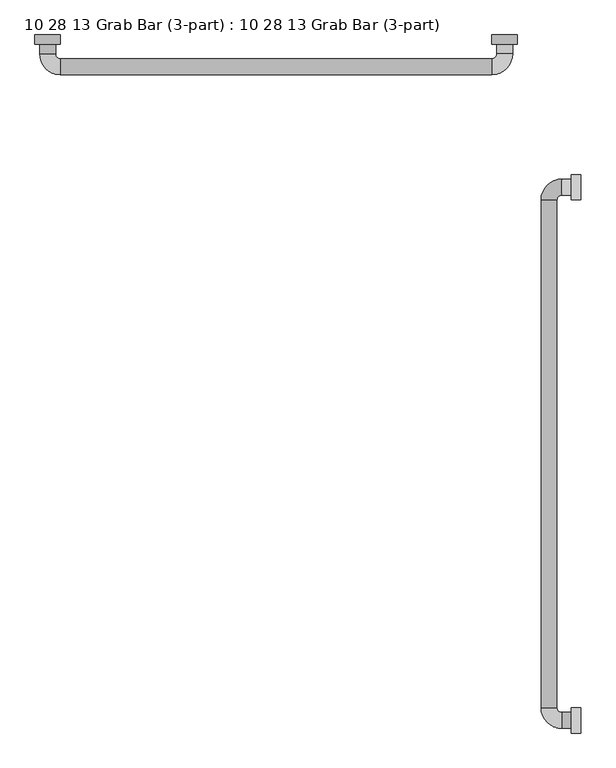
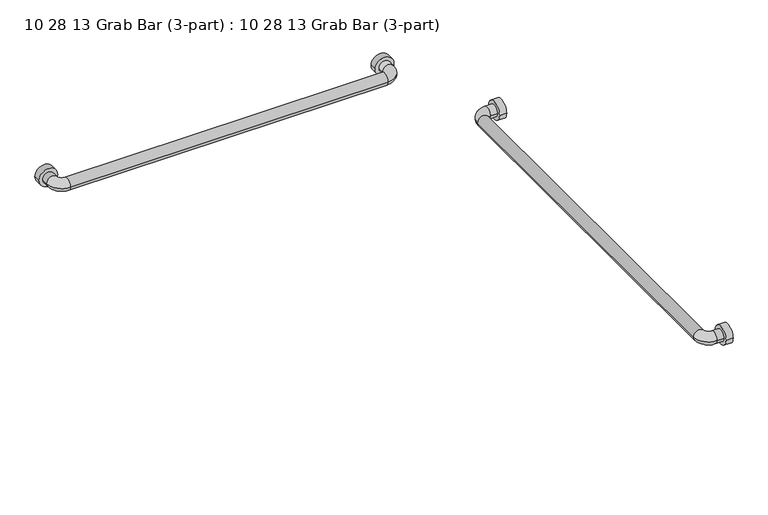
"""IFC4 building model written with IfcOpenShell, lengths in millimetres: proxy geometry, 10 28 13 Grab Bar (3-part) : 10 28 13 Grab Bar (3-part)."""

from ifc_helpers import new_model, si_unit, point, frame, frame_2d, origin, place, context, project, spatial, circle_curve, ellipse_curve, trimmed, segment, composite_curve, outline, extrude, source, transform, mapped, element, save
from ifc_brep_helpers import plane_surface, cylinder_surface, revolved_surface, advanced_brep


def proxy_10_28_13_grab_bar_3_part_10_28_13_grab_bar_3_part_7dfdcdfe(model_context):
    return source(origin(), model_context, "Body", "SolidModel", [
        extrude(outline(composite_curve([segment(trimmed(circle_curve(frame_2d((-304.8, 863.6)), 25.4), [point((-279.4, 863.6))], [point((-330.2, 863.6))], False, "CARTESIAN"), True, "CONTINUOUS"), segment(trimmed(circle_curve(frame_2d((-304.8, 863.6)), 25.4), [point((-330.2, 863.6))], [point((-279.4, 863.6))], False, "CARTESIAN"), True, "CONTINUOUS")], self_intersect=False)), frame((-19.05, 0.0, 0.0), z_axis=(1.0, 0.0, 0.0), x_axis=(0.0, 1.0, 0.0)), (0.0, 0.0, 1.0), 19.05),
        extrude(outline(composite_curve([segment(trimmed(circle_curve(frame_2d((-1371.6, 863.6)), 25.4), [point((-1346.2, 863.6))], [point((-1397.0, 863.6))], False, "CARTESIAN"), True, "CONTINUOUS"), segment(trimmed(circle_curve(frame_2d((-1371.6, 863.6)), 25.4), [point((-1397.0, 863.6))], [point((-1346.2, 863.6))], False, "CARTESIAN"), True, "CONTINUOUS")], self_intersect=False)), frame((-19.05, 0.0, 0.0), z_axis=(1.0, 0.0, 0.0), x_axis=(0.0, 1.0, 0.0)), (0.0, 0.0, 1.0), 19.05),
        extrude(outline(composite_curve([segment(trimmed(circle_curve(frame_2d((863.6, -152.4)), 25.4), [point((863.6, -177.8))], [point((863.6, -127.0))], False, "CARTESIAN"), True, "CONTINUOUS"), segment(trimmed(circle_curve(frame_2d((863.6, -152.4)), 25.4), [point((863.6, -127.0))], [point((863.6, -177.8))], False, "CARTESIAN"), True, "CONTINUOUS")], self_intersect=False)), frame((0.0, -19.05, 0.0), z_axis=(0.0, 1.0, 0.0), x_axis=(0.0, 0.0, 1.0)), (0.0, 0.0, 1.0), 19.05),
        extrude(outline(composite_curve([segment(trimmed(circle_curve(frame_2d((863.6, -1066.8)), 25.4), [point((863.6, -1092.2))], [point((863.6, -1041.4))], False, "CARTESIAN"), True, "CONTINUOUS"), segment(trimmed(circle_curve(frame_2d((863.6, -1066.8)), 25.4), [point((863.6, -1041.4))], [point((863.6, -1092.2))], False, "CARTESIAN"), True, "CONTINUOUS")], self_intersect=False)), frame((0.0, -19.05, 0.0), z_axis=(0.0, 1.0, 0.0), x_axis=(0.0, 0.0, 1.0)), (0.0, 0.0, 1.0), 19.05),
        advanced_brep(
        [(-19.05, -320.675, 863.6), (-19.05, -288.925, 863.6), (-38.1, -288.925, 863.6), (-38.1, -320.675, 863.6), (-79.375, -330.2, 863.6), (-47.625, -330.2, 863.6), (-79.375, -1346.2, 863.6), (-47.625, -1346.2, 863.6), (-38.1, -1387.475, 863.6), (-38.1, -1355.725, 863.6), (-19.05, -1355.725, 863.6), (-19.05, -1387.475, 863.6)],
        [
            (0, 1, circle_curve(frame((-19.05, -304.8, 863.6), z_axis=(1.0, 0.0, 0.0), x_axis=(0.0, 1.0, 0.0)), 15.875)),
            (1, 0, circle_curve(frame((-19.05, -304.8, 863.6), z_axis=(1.0, 0.0, 0.0), x_axis=(0.0, 1.0, 0.0)), 15.875)),
            (1, 2),
            (2, 3, circle_curve(frame((-38.1, -304.8, 863.6), z_axis=(1.0, 0.0, 0.0), x_axis=(0.0, 1.0, 0.0)), 15.875)),
            (3, 0),
            (3, 2, circle_curve(frame((-38.1, -304.8, 863.6), z_axis=(1.0, 0.0, 0.0), x_axis=(0.0, 1.0, 0.0)), 15.875)),
            (4, 5, circle_curve(frame((-63.5, -330.2, 863.6), z_axis=(0.0, 1.0, 0.0), x_axis=(-1.0, 0.0, 0.0)), 15.875)),
            (5, 3, circle_curve(frame((-38.1, -330.2, 863.6), z_axis=(0.0, 0.0, -1.0), x_axis=(0.0, 1.0, 0.0)), 9.525)),
            (2, 4, circle_curve(frame((-38.1, -330.2, 863.6), z_axis=(0.0, 0.0, 1.0), x_axis=(0.0, 1.0, 0.0)), 41.275)),
            (5, 4, circle_curve(frame((-63.5, -330.2, 863.6), z_axis=(0.0, 1.0, 0.0), x_axis=(-1.0, 0.0, 0.0)), 15.875)),
            (4, 6),
            (6, 7, circle_curve(frame((-63.5, -1346.2, 863.6), z_axis=(0.0, 1.0, 0.0), x_axis=(-1.0, 0.0, 0.0)), 15.875)),
            (7, 5),
            (7, 6, circle_curve(frame((-63.5, -1346.2, 863.6), z_axis=(0.0, 1.0, 0.0), x_axis=(-1.0, 0.0, 0.0)), 15.875)),
            (8, 9, circle_curve(frame((-38.1, -1371.6, 863.6), z_axis=(-1.0, 0.0, 0.0), x_axis=(0.0, -1.0, 0.0)), 15.875)),
            (9, 7, circle_curve(frame((-38.1, -1346.2, 863.6), z_axis=(0.0, 0.0, -1.0), x_axis=(-1.0, 0.0, 0.0)), 9.525)),
            (6, 8, circle_curve(frame((-38.1, -1346.2, 863.6), z_axis=(0.0, 0.0, 1.0), x_axis=(-1.0, 0.0, 0.0)), 41.275)),
            (9, 8, circle_curve(frame((-38.1, -1371.6, 863.6), z_axis=(-1.0, 0.0, 0.0), x_axis=(0.0, -1.0, 0.0)), 15.875)),
            (10, 11, circle_curve(frame((-19.05, -1371.6, 863.6), z_axis=(1.0, 0.0, 0.0), x_axis=(0.0, -1.0, 0.0)), 15.875)),
            (11, 10, circle_curve(frame((-19.05, -1371.6, 863.6), z_axis=(1.0, 0.0, 0.0), x_axis=(0.0, -1.0, 0.0)), 15.875)),
            (8, 11),
            (10, 9),
        ],
        [
            plane_surface(frame((-19.05, -304.8, -879.475), z_axis=(1.0, 0.0, 0.0), x_axis=(0.0, 1.0, 0.0))),
            cylinder_surface(frame((-19.05, -304.8, 863.6), z_axis=(1.0, 0.0, 0.0), x_axis=(0.0, 1.0, 0.0)), 15.875),
            revolved_surface(trimmed(ellipse_curve(frame((-38.1, -304.8, 863.6), z_axis=(-1.0, 0.0, 0.0), x_axis=(0.0, 1.0, 0.0)), 15.875, 15.875), [point((-38.1, -320.675, 863.6))], [point((-38.1, -288.925, 863.6))], True, "CARTESIAN"), (-38.1, -330.2, 0.0), (0.0, 0.0, -1.0)),
            revolved_surface(trimmed(ellipse_curve(frame((-38.1, -304.8, 863.6), z_axis=(-1.0, 0.0, 0.0), x_axis=(0.0, 1.0, 0.0)), 15.875, 15.875), [point((-38.1, -288.925, 863.6))], [point((-38.1, -320.675, 863.6))], True, "CARTESIAN"), (-38.1, -330.2, 0.0), (0.0, 0.0, -1.0)),
            cylinder_surface(frame((-63.5, -330.2, 863.6), z_axis=(0.0, 1.0, 0.0), x_axis=(-1.0, 0.0, 0.0)), 15.875),
            revolved_surface(trimmed(ellipse_curve(frame((-63.5, -1346.2, 863.6), z_axis=(0.0, -1.0, 0.0), x_axis=(-1.0, 0.0, 0.0)), 15.875, 15.875), [point((-47.625, -1346.2, 863.6))], [point((-79.375, -1346.2, 863.6))], True, "CARTESIAN"), (-38.1, -1346.2, 0.0), (0.0, 0.0, -1.0)),
            revolved_surface(trimmed(ellipse_curve(frame((-63.5, -1346.2, 863.6), z_axis=(0.0, -1.0, 0.0), x_axis=(-1.0, 0.0, 0.0)), 15.875, 15.875), [point((-79.375, -1346.2, 863.6))], [point((-47.625, -1346.2, 863.6))], True, "CARTESIAN"), (-38.1, -1346.2, 0.0), (0.0, 0.0, -1.0)),
            plane_surface(frame((-19.05, -1371.6, -879.475), z_axis=(1.0, 0.0, 0.0), x_axis=(0.0, -1.0, 0.0))),
            cylinder_surface(frame((-38.1, -1371.6, 863.6), z_axis=(-1.0, 0.0, 0.0), x_axis=(0.0, -1.0, 0.0)), 15.875),
        ],
        [
            (0, [[1, 2]]),
            (1, [[3, 4, 5, -2]]),
            (1, [[-5, 6, -3, -1]]),
            (2, [[7, 8, -4, 9]]),
            (3, [[10, -9, -6, -8]]),
            (4, [[11, 12, 13, -7]]),
            (4, [[-13, 14, -11, -10]]),
            (5, [[15, 16, -12, 17]]),
            (6, [[18, -17, -14, -16]]),
            (7, [[19, 20]]),
            (8, [[21, -19, 22, -15]]),
            (8, [[-22, -20, -21, -18]]),
        ],
    ),
        advanced_brep(
        [(-1050.925, -19.05, 863.6), (-1082.675, -19.05, 863.6), (-1082.675, -38.1, 863.6), (-1050.925, -38.1, 863.6), (-1041.4, -79.375, 863.6), (-1041.4, -47.625, 863.6), (-177.8, -79.375, 863.6), (-177.8, -47.625, 863.6), (-136.525, -38.1, 863.6), (-168.275, -38.1, 863.6), (-168.275, -19.05, 863.6), (-136.525, -19.05, 863.6)],
        [
            (0, 1, circle_curve(frame((-1066.8, -19.05, 863.6), z_axis=(0.0, 1.0, 0.0), x_axis=(-1.0, 0.0, 0.0)), 15.875)),
            (1, 0, circle_curve(frame((-1066.8, -19.05, 863.6), z_axis=(0.0, 1.0, 0.0), x_axis=(-1.0, 0.0, 0.0)), 15.875)),
            (1, 2),
            (2, 3, circle_curve(frame((-1066.8, -38.1, 863.6), z_axis=(0.0, 1.0, 0.0), x_axis=(-1.0, 0.0, 0.0)), 15.875)),
            (3, 0),
            (3, 2, circle_curve(frame((-1066.8, -38.1, 863.6), z_axis=(0.0, 1.0, 0.0), x_axis=(-1.0, 0.0, 0.0)), 15.875)),
            (4, 5, circle_curve(frame((-1041.4, -63.5, 863.6), z_axis=(-1.0, 0.0, 0.0), x_axis=(0.0, -1.0, 0.0)), 15.875)),
            (5, 3, circle_curve(frame((-1041.4, -38.1, 863.6), z_axis=(0.0, 0.0, -1.0), x_axis=(-1.0, 0.0, 0.0)), 9.525)),
            (2, 4, circle_curve(frame((-1041.4, -38.1, 863.6), z_axis=(0.0, 0.0, 1.0), x_axis=(-1.0, 0.0, 0.0)), 41.275)),
            (5, 4, circle_curve(frame((-1041.4, -63.5, 863.6), z_axis=(-1.0, 0.0, 0.0), x_axis=(0.0, -1.0, 0.0)), 15.875)),
            (4, 6),
            (6, 7, circle_curve(frame((-177.8, -63.5, 863.6), z_axis=(-1.0, 0.0, 0.0), x_axis=(0.0, -1.0, 0.0)), 15.875)),
            (7, 5),
            (7, 6, circle_curve(frame((-177.8, -63.5, 863.6), z_axis=(-1.0, 0.0, 0.0), x_axis=(0.0, -1.0, 0.0)), 15.875)),
            (8, 9, circle_curve(frame((-152.4, -38.1, 863.6), z_axis=(0.0, -1.0, 0.0), x_axis=(1.0, 0.0, 0.0)), 15.875)),
            (9, 7, circle_curve(frame((-177.8, -38.1, 863.6), z_axis=(0.0, 0.0, -1.0), x_axis=(0.0, -1.0, 0.0)), 9.525)),
            (6, 8, circle_curve(frame((-177.8, -38.1, 863.6), z_axis=(0.0, 0.0, 1.0), x_axis=(0.0, -1.0, 0.0)), 41.275)),
            (9, 8, circle_curve(frame((-152.4, -38.1, 863.6), z_axis=(0.0, -1.0, 0.0), x_axis=(1.0, 0.0, 0.0)), 15.875)),
            (10, 11, circle_curve(frame((-152.4, -19.05, 863.6), z_axis=(0.0, 1.0, 0.0), x_axis=(1.0, 0.0, 0.0)), 15.875)),
            (11, 10, circle_curve(frame((-152.4, -19.05, 863.6), z_axis=(0.0, 1.0, 0.0), x_axis=(1.0, 0.0, 0.0)), 15.875)),
            (8, 11),
            (10, 9),
        ],
        [
            plane_surface(frame((-1946.275, -19.05, 0.0), z_axis=(0.0, 1.0, 0.0), x_axis=(0.0, 0.0, 1.0))),
            cylinder_surface(frame((-1066.8, -19.05, 863.6), z_axis=(0.0, 1.0, 0.0), x_axis=(-1.0, 0.0, 0.0)), 15.875),
            revolved_surface(trimmed(ellipse_curve(frame((-1066.8, -38.1, 863.6), z_axis=(0.0, -1.0, 0.0), x_axis=(-1.0, 0.0, 0.0)), 15.875, 15.875), [point((-1050.925, -38.1, 863.6))], [point((-1082.675, -38.1, 863.6))], True, "CARTESIAN"), (-1041.4, -38.1, 0.0), (0.0, 0.0, -1.0)),
            revolved_surface(trimmed(ellipse_curve(frame((-1066.8, -38.1, 863.6), z_axis=(0.0, -1.0, 0.0), x_axis=(-1.0, 0.0, 0.0)), 15.875, 15.875), [point((-1082.675, -38.1, 863.6))], [point((-1050.925, -38.1, 863.6))], True, "CARTESIAN"), (-1041.4, -38.1, 0.0), (0.0, 0.0, -1.0)),
            cylinder_surface(frame((-1041.4, -63.5, 863.6), z_axis=(-1.0, 0.0, 0.0), x_axis=(0.0, -1.0, 0.0)), 15.875),
            revolved_surface(trimmed(ellipse_curve(frame((-177.8, -63.5, 863.6), z_axis=(1.0, 0.0, 0.0), x_axis=(0.0, -1.0, 0.0)), 15.875, 15.875), [point((-177.8, -47.625, 863.6))], [point((-177.8, -79.375, 863.6))], True, "CARTESIAN"), (-177.8, -38.1, 0.0), (0.0, 0.0, -1.0)),
            revolved_surface(trimmed(ellipse_curve(frame((-177.8, -63.5, 863.6), z_axis=(1.0, 0.0, 0.0), x_axis=(0.0, -1.0, 0.0)), 15.875, 15.875), [point((-177.8, -79.375, 863.6))], [point((-177.8, -47.625, 863.6))], True, "CARTESIAN"), (-177.8, -38.1, 0.0), (0.0, 0.0, -1.0)),
            plane_surface(frame((-1031.875, -19.05, 0.0), z_axis=(0.0, 1.0, 0.0), x_axis=(0.0, 0.0, -1.0))),
            cylinder_surface(frame((-152.4, -38.1, 863.6), z_axis=(0.0, -1.0, 0.0), x_axis=(1.0, 0.0, 0.0)), 15.875),
        ],
        [
            (0, [[1, 2]]),
            (1, [[3, 4, 5, -2]]),
            (1, [[-5, 6, -3, -1]]),
            (2, [[7, 8, -4, 9]]),
            (3, [[10, -9, -6, -8]]),
            (4, [[11, 12, 13, -7]]),
            (4, [[-13, 14, -11, -10]]),
            (5, [[15, 16, -12, 17]]),
            (6, [[18, -17, -14, -16]]),
            (7, [[19, 20]]),
            (8, [[21, -19, 22, -15]]),
            (8, [[-22, -20, -21, -18]]),
        ],
    ),
    ])


if __name__ == "__main__":
    model = new_model("IFC4")
    model_context = context("Model", 3, world=origin())
    ifc_project = project(units=[si_unit("LENGTHUNIT", "METRE", prefix="MILLI")], contexts=[model_context])
    site = spatial("IfcSite", under=ifc_project)
    building = spatial("IfcBuilding", under=site)
    placement = place(None, origin())
    proxy_10_28_13_grab_bar_3_part_10_28_13_grab_bar_3_part_shape = proxy_10_28_13_grab_bar_3_part_10_28_13_grab_bar_3_part_7dfdcdfe(model_context)
    element("IfcBuildingElementProxy", 1, Name="10 28 13 Grab Bar (3-part) : 10 28 13 Grab Bar (3-part)", ObjectType="10 28 13 Grab Bar (3-part) : 10 28 13 Grab Bar (3-part)", at=placement, inside=building, context=model_context, shape_type="MappedRepresentation", body=[
        mapped(proxy_10_28_13_grab_bar_3_part_10_28_13_grab_bar_3_part_shape, transform((0.0, 0.0, 0.0), x_axis=(1.0, 0.0, 0.0), y_axis=(0.0, 1.0, 0.0), z_axis=(0.0, 0.0, 1.0))),
    ])
    save(model, "model.ifc")
